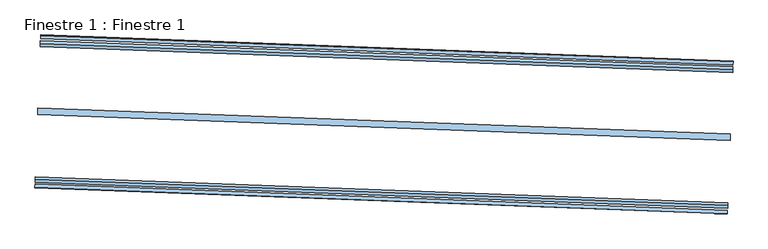
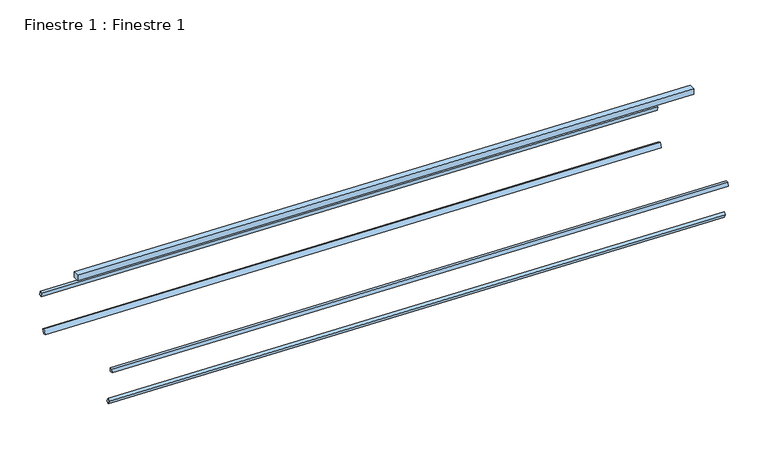
"""IFC4 building model written with IfcOpenShell, lengths in millimetres: window geometry, Finestre 1 : Finestre 1."""

from ifc_helpers import new_model, si_unit, frame, origin, place, context, project, spatial, polyline, outline, extrude, source, transform, mapped, element, save


def finestre_1_finestre_1_16038fe5(model_context):
    return source(origin(), model_context, "Body", "SweptSolid", [
        extrude(outline(polyline([(-56750.7832306, 115173.6972785), (-56755.6781666, 115043.7894666), (-69795.5405145, 115535.1324435), (-69790.6455786, 115665.0402554), (-56750.7832306, 115173.6972785)])), frame((0.0, 0.0, 3619.0631649), z_axis=(0.0, 0.0, 1.0), x_axis=(1.0, 0.0, 0.0)), (0.0, 0.0, 1.0), 125.0),
        extrude(outline(polyline([(0.0, -61.5274781), (0.0, 0.0), (13049.1159844, 0.0), (13049.1159843, -61.5274781), (0.0, -61.5274781)])), frame((-56701.1892325, 116489.8836088, 2362.0915839), z_axis=(-0.0065384362166446275, -0.17352503697990393, 0.9848077530122129), x_axis=(-0.9992908610464383, 0.037653353490336446, 0.0)), (0.0, 0.0, 1.0), 85.0759612),
        extrude(outline(polyline([(0.0, -66.5063248), (0.0, 0.0), (13049.1159844, 0.0), (13049.1159844, -66.5063248), (0.0, -66.5063248)])), frame((-56807.7858002, 113660.8931978, 2369.7941872), z_axis=(0.0034598932970323626, 0.09182289043146198, 0.9957693437393947), x_axis=(-0.9992908610464383, 0.037653353490336446, 0.0)), (0.0, 0.0, 1.0), 85.0759612),
        extrude(outline(polyline([(2047.0631649, -1339.1617594), (2151.5236284, -1288.212987), (2168.1077272, -1350.1056863), (2082.0631649, -1399.7835376), (2047.0631649, -1339.1617594)])), frame((-56755.6781666, 115043.7894666, 3744.0631649), z_axis=(-0.9992908610464382, 0.037653353490337015, 0.0), x_axis=(0.0, 0.0, -1.0)), (0.0, 0.0, 1.0), 13049.1159844),
        extrude(outline(polyline([(0.0, -66.034437), (0.0, 0.0), (13049.1159844, 0.0), (13049.1159843, -66.034437), (0.0, -66.034437)])), frame((-56801.9622699, 113815.445186, 1570.7804979), z_axis=(-0.018826676745171446, -0.4996454305233047, 0.8660254037843892), x_axis=(-0.9992908610464383, 0.037653353490336446, 0.0)), (0.0, 0.0, 1.0), 102.4661991),
    ])


if __name__ == "__main__":
    model = new_model("IFC4")
    model_context = context("Model", 3, world=origin())
    ifc_project = project(units=[si_unit("LENGTHUNIT", "METRE", prefix="MILLI")], contexts=[model_context])
    site = spatial("IfcSite", under=ifc_project)
    building = spatial("IfcBuilding", under=site)
    placement = place(None, origin())
    finestre_1_finestre_1_shape = finestre_1_finestre_1_16038fe5(model_context)
    element("IfcWindow", 1, ObjectType="Finestre 1 : Finestre 1", at=placement, inside=building, context=model_context, shape_type="MappedRepresentation", body=[
        mapped(finestre_1_finestre_1_shape, transform((0.0, 0.0, 0.0), x_axis=(1.0, 0.0, 0.0), y_axis=(0.0, 1.0, 0.0), z_axis=(0.0, 0.0, 1.0))),
    ])
    save(model, "model.ifc")
